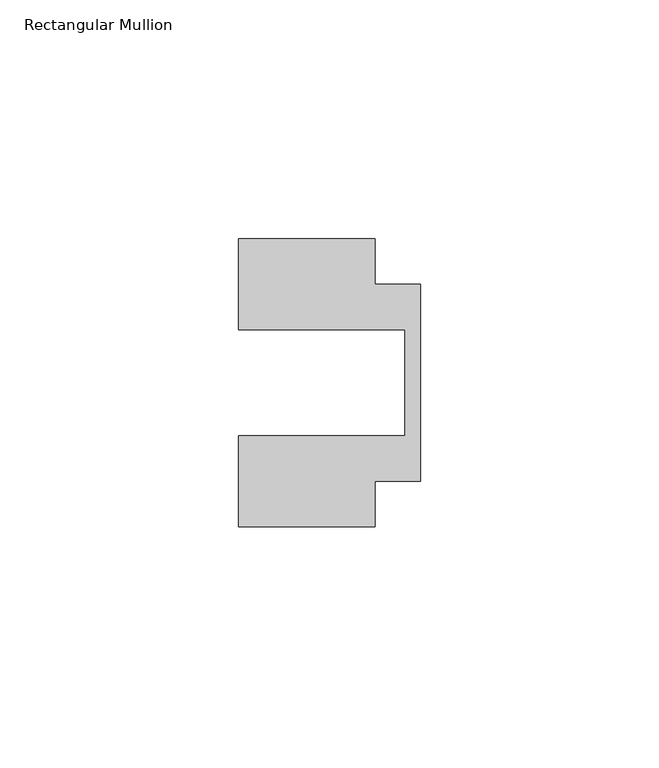
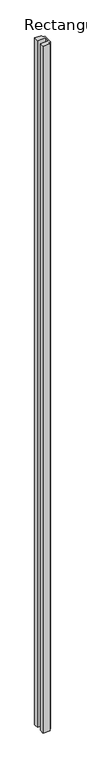
"""IFC4 building model written with IfcOpenShell, lengths in millimetres: member geometry, Rectangular Mullion."""

from ifc_helpers import new_model, si_unit, frame, origin, place, context, project, spatial, polyline, outline, extrude, source, transform, mapped, element, save


def rectangular_mullion_f958c23a(model_context):
    return source(origin(), model_context, "Body", "SweptSolid", [
        extrude(outline(polyline([(-38.1, -11.1125), (-3.175, -11.1125), (-3.175, 11.1125), (-38.1, 11.1125), (-38.1, 30.1625), (-9.525, 30.1625), (-9.525, 20.6375), (0.0, 20.6375), (0.0, -20.6375), (-9.525, -20.6375), (-9.525, -30.1625), (-38.1, -30.1625), (-38.1, -11.1125)])), frame((0.0, 0.0, -3048.0), z_axis=(0.0, 0.0, 1.0), x_axis=(1.0, 0.0, 0.0)), (0.0, 0.0, 1.0), 3048.0),
    ])


if __name__ == "__main__":
    model = new_model("IFC4")
    model_context = context("Model", 3, world=origin())
    ifc_project = project(units=[si_unit("LENGTHUNIT", "METRE", prefix="MILLI")], contexts=[model_context])
    site = spatial("IfcSite", under=ifc_project)
    building = spatial("IfcBuilding", under=site)
    placement = place(None, origin())
    rectangular_mullion_shape = rectangular_mullion_f958c23a(model_context)
    element("IfcMember", 1, ObjectType="Rectangular Mullion", at=placement, inside=building, context=model_context, shape_type="MappedRepresentation", body=[
        mapped(rectangular_mullion_shape, transform((0.0, 0.0, 0.0), x_axis=(1.0, 0.0, 0.0), y_axis=(0.0, 1.0, 0.0), z_axis=(0.0, 0.0, 1.0))),
    ])
    save(model, "model.ifc")
